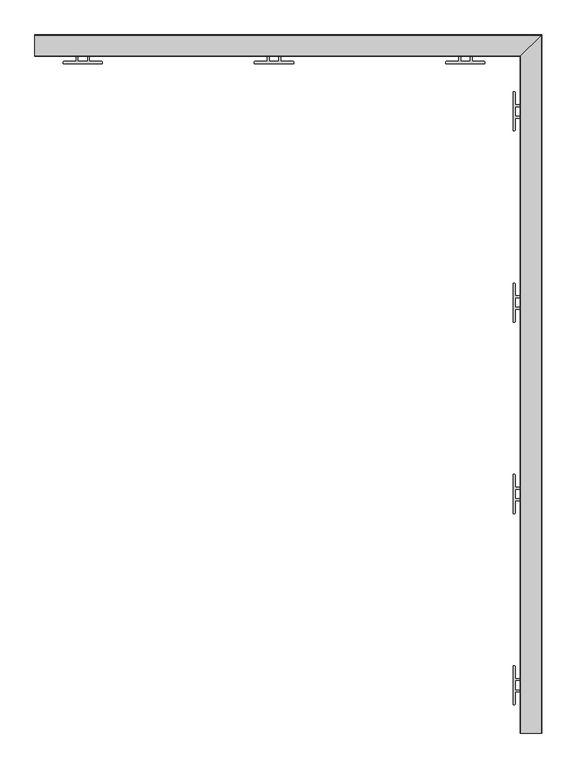
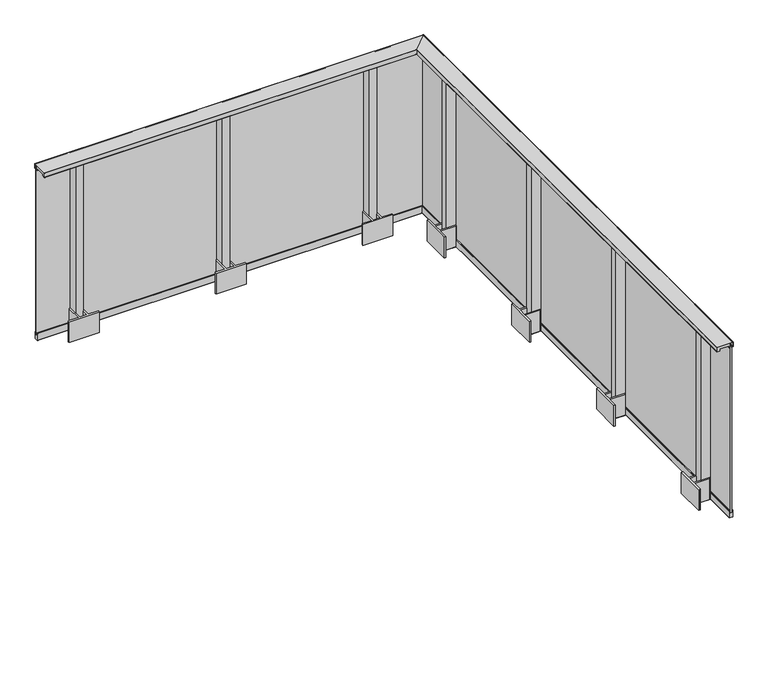
"""IFC4 building model written with IfcOpenShell, lengths in millimetres: railing geometry."""

from ifc_helpers import new_model, si_unit, frame, origin, place, context, project, spatial, polyline, circle_curve, ellipse_curve, outline, extrude, faceted_brep, source, transform, mapped, element, save
from ifc_brep_helpers import plane_surface, cylinder_surface, revolved_surface, advanced_brep


def railing_d14c0ea8(model_context):
    return source(origin(), model_context, "Body", "SolidModel", [
        advanced_brep(
        [(14428.9819967, 370.4991817, 1100.0), (14428.4819967, 370.4991817, 1099.5), (14428.4819967, 370.4991817, 1068.5), (14428.9819967, 370.4991817, 1068.0), (14448.4819967, 370.4991817, 1068.0), (14448.4819967, 370.4991817, 1081.0), (14514.4819967, 370.4991817, 1081.0), (14514.4819967, 370.4991817, 1068.0), (14517.2819967, 370.4991817, 1068.0), (14517.2819967, 370.4991817, 1069.2), (14516.4819967, 370.4991817, 1069.2), (14516.4819967, 370.4991817, 1097.5), (14516.9819967, 370.4991817, 1098.0), (14535.9819967, 370.4991817, 1098.0), (14536.4819967, 370.4991817, 1097.5), (14536.4819967, 370.4991817, 1069.2), (14535.6819967, 370.4991817, 1069.2), (14535.6819967, 370.4991817, 1068.0), (14539.9819967, 370.4991817, 1068.0), (14540.4819967, 370.4991817, 1068.5), (14540.4819967, 370.4991817, 1099.5), (14539.9819967, 370.4991817, 1100.0), (14428.9819967, 3908.4991817, 1100.0), (14428.4819967, 3907.9991817, 1099.5), (14428.4819967, 3907.9991817, 1068.5), (14428.9819967, 3908.4991817, 1068.0), (14448.4819967, 3927.9991817, 1068.0), (14448.4819967, 3927.9991817, 1081.0), (14514.4819967, 3993.9991817, 1081.0), (14514.4819967, 3993.9991817, 1068.0), (14517.2819967, 3996.7991817, 1068.0), (14517.2819967, 3996.7991817, 1069.2), (14516.4819967, 3995.9991817, 1069.2), (14516.4819967, 3995.9991817, 1097.5), (14516.9819967, 3996.4991817, 1098.0), (14535.9819967, 4015.4991817, 1098.0), (14536.4819967, 4015.9991817, 1097.5), (14536.4819967, 4015.9991817, 1069.2), (14535.6819967, 4015.1991817, 1069.2), (14535.6819967, 4015.1991817, 1068.0), (14539.9819967, 4019.4991817, 1068.0), (14540.4819967, 4019.9991817, 1068.5), (14540.4819967, 4019.9991817, 1099.5), (14539.9819967, 4019.4991817, 1100.0), (11890.9819967, 3908.4991817, 1100.0), (11890.9819967, 4019.4991817, 1100.0), (11890.9819967, 4019.9991817, 1099.5), (11890.9819967, 4019.9991817, 1068.5), (11890.9819967, 4019.4991817, 1068.0), (11890.9819967, 4015.1991817, 1068.0), (11890.9819967, 4015.1991817, 1069.2), (11890.9819967, 4015.9991817, 1069.2), (11890.9819967, 4015.9991817, 1097.5), (11890.9819967, 4015.4991817, 1098.0), (11890.9819967, 3996.4991817, 1098.0), (11890.9819967, 3995.9991817, 1097.5), (11890.9819967, 3995.9991817, 1069.2), (11890.9819967, 3996.7991817, 1069.2), (11890.9819967, 3996.7991817, 1068.0), (11890.9819967, 3993.9991817, 1068.0), (11890.9819967, 3993.9991817, 1081.0), (11890.9819967, 3927.9991817, 1081.0), (11890.9819967, 3927.9991817, 1068.0), (11890.9819967, 3908.4991817, 1068.0), (11890.9819967, 3907.9991817, 1068.5), (11890.9819967, 3907.9991817, 1099.5)],
        [
            (0, 1, circle_curve(frame((14428.9819967, 370.4991817, 1099.5), z_axis=(0.0, -1.0, 0.0), x_axis=(1.0, 0.0, 0.0)), 0.5)),
            (1, 2),
            (2, 3, circle_curve(frame((14428.9819967, 370.4991817, 1068.5), z_axis=(0.0, -1.0, 0.0), x_axis=(1.0, 0.0, 0.0)), 0.5)),
            (3, 4),
            (4, 5),
            (5, 6),
            (6, 7),
            (7, 8),
            (8, 9),
            (9, 10),
            (10, 11),
            (11, 12, circle_curve(frame((14516.9819967, 370.4991817, 1097.5), z_axis=(0.0, 1.0, 0.0), x_axis=(1.0, 0.0, 0.0)), 0.5)),
            (12, 13),
            (13, 14, circle_curve(frame((14535.9819967, 370.4991817, 1097.5), z_axis=(0.0, 1.0, 0.0), x_axis=(1.0, 0.0, 0.0)), 0.5)),
            (14, 15),
            (15, 16),
            (16, 17),
            (17, 18),
            (18, 19, circle_curve(frame((14539.9819967, 370.4991817, 1068.5), z_axis=(0.0, -1.0, 0.0), x_axis=(1.0, 0.0, 0.0)), 0.5)),
            (19, 20),
            (20, 21, circle_curve(frame((14539.9819967, 370.4991817, 1099.5), z_axis=(0.0, -1.0, 0.0), x_axis=(1.0, 0.0, 0.0)), 0.5)),
            (21, 0),
            (0, 22),
            (22, 23, ellipse_curve(frame((14428.9819967, 3908.4991817, 1099.5), z_axis=(0.7071067811865467, -0.7071067811865482, 0.0), x_axis=(-0.7071067811865482, -0.7071067811865469, 0.0)), 0.7071068, 0.5)),
            (23, 1),
            (23, 24),
            (24, 2),
            (24, 25, ellipse_curve(frame((14428.9819967, 3908.4991817, 1068.5), z_axis=(0.7071067811865467, -0.7071067811865482, 0.0), x_axis=(-0.7071067811865482, -0.7071067811865469, 0.0)), 0.7071068, 0.5)),
            (25, 3),
            (25, 26),
            (26, 4),
            (26, 27),
            (27, 5),
            (27, 28),
            (28, 6),
            (28, 29),
            (29, 7),
            (29, 30),
            (30, 8),
            (30, 31),
            (31, 9),
            (31, 32),
            (32, 10),
            (32, 33),
            (33, 11),
            (33, 34, ellipse_curve(frame((14516.9819967, 3996.4991817, 1097.5), z_axis=(-0.7071067811865467, 0.7071067811865482, 0.0), x_axis=(0.7071067811865482, 0.7071067811865469, 0.0)), 0.7071068, 0.5)),
            (34, 12),
            (34, 35),
            (35, 13),
            (35, 36, ellipse_curve(frame((14535.9819967, 4015.4991817, 1097.5), z_axis=(-0.7071067811865467, 0.7071067811865482, 0.0), x_axis=(0.7071067811865482, 0.7071067811865469, 0.0)), 0.7071068, 0.5)),
            (36, 14),
            (36, 37),
            (37, 15),
            (37, 38),
            (38, 16),
            (38, 39),
            (39, 17),
            (39, 40),
            (40, 18),
            (40, 41, ellipse_curve(frame((14539.9819967, 4019.4991817, 1068.5), z_axis=(0.7071067811865467, -0.7071067811865482, 0.0), x_axis=(-0.7071067811865482, -0.7071067811865469, 0.0)), 0.7071068, 0.5)),
            (41, 19),
            (41, 42),
            (42, 20),
            (42, 43, ellipse_curve(frame((14539.9819967, 4019.4991817, 1099.5), z_axis=(0.7071067811865467, -0.7071067811865482, 0.0), x_axis=(-0.7071067811865482, -0.7071067811865469, 0.0)), 0.7071068, 0.5)),
            (43, 21),
            (43, 22),
            (44, 45),
            (45, 46, circle_curve(frame((11890.9819967, 4019.4991817, 1099.5), z_axis=(-1.0, 0.0, 0.0), x_axis=(0.0, 1.0, 0.0)), 0.5)),
            (46, 47),
            (47, 48, circle_curve(frame((11890.9819967, 4019.4991817, 1068.5), z_axis=(-1.0, 0.0, 0.0), x_axis=(0.0, 1.0, 0.0)), 0.5)),
            (48, 49),
            (49, 50),
            (50, 51),
            (51, 52),
            (52, 53, circle_curve(frame((11890.9819967, 4015.4991817, 1097.5), z_axis=(1.0, 0.0, 0.0), x_axis=(0.0, 1.0, 0.0)), 0.5)),
            (53, 54),
            (54, 55, circle_curve(frame((11890.9819967, 3996.4991817, 1097.5), z_axis=(1.0, 0.0, 0.0), x_axis=(0.0, 1.0, 0.0)), 0.5)),
            (55, 56),
            (56, 57),
            (57, 58),
            (58, 59),
            (59, 60),
            (60, 61),
            (61, 62),
            (62, 63),
            (63, 64, circle_curve(frame((11890.9819967, 3908.4991817, 1068.5), z_axis=(-1.0, 0.0, 0.0), x_axis=(0.0, 1.0, 0.0)), 0.5)),
            (64, 65),
            (65, 44, circle_curve(frame((11890.9819967, 3908.4991817, 1099.5), z_axis=(-1.0, 0.0, 0.0), x_axis=(0.0, 1.0, 0.0)), 0.5)),
            (22, 44),
            (65, 23),
            (64, 24),
            (63, 25),
            (62, 26),
            (61, 27),
            (60, 28),
            (59, 29),
            (58, 30),
            (57, 31),
            (56, 32),
            (55, 33),
            (54, 34),
            (53, 35),
            (52, 36),
            (51, 37),
            (50, 38),
            (49, 39),
            (48, 40),
            (47, 41),
            (46, 42),
            (45, 43),
        ],
        [
            plane_surface(frame((14481.4819967, 370.4991817, 1100.0), z_axis=(0.0, -1.0, 0.0), x_axis=(0.0, 0.0, 1.0))),
            cylinder_surface(frame((14428.9819967, 370.4991817, 1099.5), z_axis=(0.0, -1.0, 0.0), x_axis=(1.0, 0.0, 0.0)), 0.5),
            plane_surface(frame((14428.4819967, 370.4991817, 1099.5), z_axis=(-1.0, 0.0, 0.0), x_axis=(0.0, 1.0, 0.0))),
            cylinder_surface(frame((14428.9819967, 370.4991817, 1068.5), z_axis=(0.0, -1.0, 0.0), x_axis=(1.0, 0.0, 0.0)), 0.5),
            plane_surface(frame((14428.9819967, 370.4991817, 1068.0), z_axis=(0.0, 0.0, -1.0), x_axis=(0.0, 1.0, 0.0))),
            plane_surface(frame((14448.4819967, 370.4991817, 1068.0), z_axis=(1.0, 0.0, 0.0), x_axis=(0.0, 1.0, 0.0))),
            plane_surface(frame((14448.4819967, 370.4991817, 1081.0), z_axis=(0.0, 0.0, -1.0), x_axis=(0.0, 1.0, 0.0))),
            plane_surface(frame((14514.4819967, 370.4991817, 1081.0), z_axis=(-1.0, 0.0, 0.0), x_axis=(0.0, 1.0, 0.0))),
            plane_surface(frame((14514.4819967, 370.4991817, 1068.0), z_axis=(0.0, 0.0, -1.0), x_axis=(0.0, 1.0, 0.0))),
            plane_surface(frame((14517.2819967, 370.4991817, 1068.0), z_axis=(1.0, 0.0, 0.0), x_axis=(0.0, 1.0, 0.0))),
            plane_surface(frame((14517.2819967, 370.4991817, 1069.2), z_axis=(0.0, 0.0, 1.0), x_axis=(0.0, 1.0, 0.0))),
            plane_surface(frame((14516.4819967, 370.4991817, 1069.2), z_axis=(1.0, 0.0, 0.0), x_axis=(0.0, 1.0, 0.0))),
            revolved_surface(polyline([(14517.4819967, 3996.999181713303, 1097.5), (14517.4819967, 370.4991817, 1097.5)]), (14516.9819967, 370.4991817, 1097.5), (0.0, 1.0, 0.0)),
            plane_surface(frame((14516.9819967, 370.4991817, 1098.0), z_axis=(0.0, 0.0, -1.0), x_axis=(0.0, 1.0, 0.0))),
            revolved_surface(polyline([(14536.4819967, 4015.999181713303, 1097.5), (14536.4819967, 370.4991817, 1097.5)]), (14535.9819967, 370.4991817, 1097.5), (0.0, 1.0, 0.0)),
            plane_surface(frame((14536.4819967, 370.4991817, 1097.5), z_axis=(-1.0, 0.0, 0.0), x_axis=(0.0, 1.0, 0.0))),
            plane_surface(frame((14536.4819967, 370.4991817, 1069.2), z_axis=(0.0, 0.0, 1.0), x_axis=(0.0, 1.0, 0.0))),
            plane_surface(frame((14535.6819967, 370.4991817, 1069.2), z_axis=(-1.0, 0.0, 0.0), x_axis=(0.0, 1.0, 0.0))),
            plane_surface(frame((14535.6819967, 370.4991817, 1068.0), z_axis=(0.0, 0.0, -1.0), x_axis=(0.0, 1.0, 0.0))),
            cylinder_surface(frame((14539.9819967, 370.4991817, 1068.5), z_axis=(0.0, -1.0, 0.0), x_axis=(1.0, 0.0, 0.0)), 0.5),
            plane_surface(frame((14540.4819967, 370.4991817, 1068.5), z_axis=(1.0, 0.0, 0.0), x_axis=(0.0, 1.0, 0.0))),
            cylinder_surface(frame((14539.9819967, 370.4991817, 1099.5), z_axis=(0.0, -1.0, 0.0), x_axis=(1.0, 0.0, 0.0)), 0.5),
            plane_surface(frame((14539.9819967, 370.4991817, 1100.0), z_axis=(0.0, 0.0, 1.0), x_axis=(0.0, 1.0, 0.0))),
            plane_surface(frame((11890.9819967, 3960.9991817, 1100.0), z_axis=(-1.0, 0.0, 0.0), x_axis=(0.0, -1.0, 0.0))),
            cylinder_surface(frame((14481.4819967, 3908.4991817, 1099.5), z_axis=(1.0, 0.0, 0.0), x_axis=(0.0, 1.0, 0.0)), 0.5),
            plane_surface(frame((14428.4819967, 3907.9991817, 1099.5), z_axis=(0.0, -1.0, 0.0), x_axis=(-1.0, 0.0, 0.0))),
            cylinder_surface(frame((14481.4819967, 3908.4991817, 1068.5), z_axis=(1.0, 0.0, 0.0), x_axis=(0.0, 1.0, 0.0)), 0.5),
            plane_surface(frame((14428.9819967, 3908.4991817, 1068.0), z_axis=(0.0, 0.0, -1.0), x_axis=(-1.0, 0.0, 0.0))),
            plane_surface(frame((14448.4819967, 3927.9991817, 1068.0), z_axis=(0.0, 1.0, 0.0), x_axis=(-1.0, 0.0, 0.0))),
            plane_surface(frame((14448.4819967, 3927.9991817, 1081.0), z_axis=(0.0, 0.0, -1.0), x_axis=(-1.0, 0.0, 0.0))),
            plane_surface(frame((14514.4819967, 3993.9991817, 1081.0), z_axis=(0.0, -1.0, 0.0), x_axis=(-1.0, 0.0, 0.0))),
            plane_surface(frame((14514.4819967, 3993.9991817, 1068.0), z_axis=(0.0, 0.0, -1.0), x_axis=(-1.0, 0.0, 0.0))),
            plane_surface(frame((14517.2819967, 3996.7991817, 1068.0), z_axis=(0.0, 1.0, 0.0), x_axis=(-1.0, 0.0, 0.0))),
            plane_surface(frame((14517.2819967, 3996.7991817, 1069.2), z_axis=(0.0, 0.0, 1.0), x_axis=(-1.0, 0.0, 0.0))),
            plane_surface(frame((14516.4819967, 3995.9991817, 1069.2), z_axis=(0.0, 1.0, 0.0), x_axis=(-1.0, 0.0, 0.0))),
            revolved_surface(polyline([(11890.9819967, 3996.9991817, 1097.5), (14517.481996713303, 3996.9991817, 1097.5)]), (14481.4819967, 3996.4991817, 1097.5), (-1.0, 0.0, 0.0)),
            plane_surface(frame((14516.9819967, 3996.4991817, 1098.0), z_axis=(0.0, 0.0, -1.0), x_axis=(-1.0, 0.0, 0.0))),
            revolved_surface(polyline([(11890.9819967, 4015.9991817, 1097.5), (14536.481996713303, 4015.9991817, 1097.5)]), (14481.4819967, 4015.4991817, 1097.5), (-1.0, 0.0, 0.0)),
            plane_surface(frame((14536.4819967, 4015.9991817, 1097.5), z_axis=(0.0, -1.0, 0.0), x_axis=(-1.0, 0.0, 0.0))),
            plane_surface(frame((14536.4819967, 4015.9991817, 1069.2), z_axis=(0.0, 0.0, 1.0), x_axis=(-1.0, 0.0, 0.0))),
            plane_surface(frame((14535.6819967, 4015.1991817, 1069.2), z_axis=(0.0, -1.0, 0.0), x_axis=(-1.0, 0.0, 0.0))),
            plane_surface(frame((14535.6819967, 4015.1991817, 1068.0), z_axis=(0.0, 0.0, -1.0), x_axis=(-1.0, 0.0, 0.0))),
            cylinder_surface(frame((14481.4819967, 4019.4991817, 1068.5), z_axis=(1.0, 0.0, 0.0), x_axis=(0.0, 1.0, 0.0)), 0.5),
            plane_surface(frame((14540.4819967, 4019.9991817, 1068.5), z_axis=(0.0, 1.0, 0.0), x_axis=(-1.0, 0.0, 0.0))),
            cylinder_surface(frame((14481.4819967, 4019.4991817, 1099.5), z_axis=(1.0, 0.0, 0.0), x_axis=(0.0, 1.0, 0.0)), 0.5),
            plane_surface(frame((14539.9819967, 4019.4991817, 1100.0), z_axis=(0.0, 0.0, 1.0), x_axis=(-1.0, 0.0, 0.0))),
        ],
        [
            (0, [[1, 2, 3, 4, 5, 6, 7, 8, 9, 10, 11, 12, 13, 14, 15, 16, 17, 18, 19, 20, 21, 22]]),
            (1, [[-1, 23, 24, 25]]),
            (2, [[-2, -25, 26, 27]]),
            (3, [[-3, -27, 28, 29]]),
            (4, [[-4, -29, 30, 31]]),
            (5, [[-5, -31, 32, 33]]),
            (6, [[-6, -33, 34, 35]]),
            (7, [[-7, -35, 36, 37]]),
            (8, [[-8, -37, 38, 39]]),
            (9, [[-9, -39, 40, 41]]),
            (10, [[-10, -41, 42, 43]]),
            (11, [[-11, -43, 44, 45]]),
            (12, [[-12, -45, 46, 47]]),
            (13, [[-13, -47, 48, 49]]),
            (14, [[-14, -49, 50, 51]]),
            (15, [[-15, -51, 52, 53]]),
            (16, [[-16, -53, 54, 55]]),
            (17, [[-17, -55, 56, 57]]),
            (18, [[-18, -57, 58, 59]]),
            (19, [[-19, -59, 60, 61]]),
            (20, [[-20, -61, 62, 63]]),
            (21, [[-21, -63, 64, 65]]),
            (22, [[-22, -65, 66, -23]]),
            (23, [[67, 68, 69, 70, 71, 72, 73, 74, 75, 76, 77, 78, 79, 80, 81, 82, 83, 84, 85, 86, 87, 88]]),
            (24, [[-24, 89, -88, 90]]),
            (25, [[-26, -90, -87, 91]]),
            (26, [[-28, -91, -86, 92]]),
            (27, [[-30, -92, -85, 93]]),
            (28, [[-32, -93, -84, 94]]),
            (29, [[-34, -94, -83, 95]]),
            (30, [[-36, -95, -82, 96]]),
            (31, [[-38, -96, -81, 97]]),
            (32, [[-40, -97, -80, 98]]),
            (33, [[-42, -98, -79, 99]]),
            (34, [[-44, -99, -78, 100]]),
            (35, [[-46, -100, -77, 101]]),
            (36, [[-48, -101, -76, 102]]),
            (37, [[-50, -102, -75, 103]]),
            (38, [[-52, -103, -74, 104]]),
            (39, [[-54, -104, -73, 105]]),
            (40, [[-56, -105, -72, 106]]),
            (41, [[-58, -106, -71, 107]]),
            (42, [[-60, -107, -70, 108]]),
            (43, [[-62, -108, -69, 109]]),
            (44, [[-64, -109, -68, 110]]),
            (45, [[-66, -110, -67, -89]]),
        ],
    ),
        faceted_brep([(14529.9819967, 370.4991817, 1075.0), (14521.9819967, 370.4991817, 1075.0), (14521.9819967, 370.4991817, -125.0), (14529.9819967, 370.4991817, -125.0), (14529.9819967, 4009.4991817, 1075.0), (14521.9819967, 4001.4991817, 1075.0), (14521.9819967, 4001.4991817, -125.0), (14529.9819967, 4009.4991817, -125.0), (11890.9819967, 4009.4991817, 1075.0), (11890.9819967, 4009.4991817, -125.0), (11890.9819967, 4001.4991817, -125.0), (11890.9819967, 4001.4991817, 1075.0)], [[[0, 1, 2, 3]], [[1, 0, 4, 5]], [[2, 1, 5, 6]], [[3, 2, 6, 7]], [[0, 3, 7, 4]], [[8, 9, 10, 11]], [[5, 4, 8, 11]], [[6, 5, 11, 10]], [[7, 6, 10, 9]], [[4, 7, 9, 8]]]),
        faceted_brep([(14516.6692541, 370.4991817, 1067.2160621), (14515.6441664, 370.4991817, 1067.2160621), (14515.6441664, 370.4991817, 1065.6627783), (14521.9819967, 370.4991817, 1063.8454347), (14521.9819967, 370.4991817, 1074.0), (14516.6692541, 370.4991817, 1076.1464874), (14516.6692541, 3996.186439, 1067.2160621), (14515.6441664, 3995.1613513, 1067.2160621), (14515.6441664, 3995.1613513, 1065.6627783), (14521.9819967, 4001.4991817, 1063.8454347), (14521.9819967, 4001.4991817, 1074.0), (14516.6692541, 3996.186439, 1076.1464874), (11890.9819967, 3996.186439, 1067.2160621), (11890.9819967, 3996.186439, 1076.1464874), (11890.9819967, 4001.4991817, 1074.0), (11890.9819967, 4001.4991817, 1063.8454347), (11890.9819967, 3995.1613513, 1065.6627783), (11890.9819967, 3995.1613513, 1067.2160621)], [[[0, 1, 2, 3, 4, 5]], [[1, 0, 6, 7]], [[2, 1, 7, 8]], [[3, 2, 8, 9]], [[4, 3, 9, 10]], [[5, 4, 10, 11]], [[0, 5, 11, 6]], [[12, 13, 14, 15, 16, 17]], [[7, 6, 12, 17]], [[8, 7, 17, 16]], [[9, 8, 16, 15]], [[10, 9, 15, 14]], [[11, 10, 14, 13]], [[6, 11, 13, 12]]]),
        faceted_brep([(14535.2947394, 370.4991817, 1067.2160621), (14535.2947394, 370.4991817, 1076.1464874), (14529.9819967, 370.4991817, 1074.0), (14529.9819967, 370.4991817, 1063.8454347), (14536.3198271, 370.4991817, 1065.6627783), (14536.3198271, 370.4991817, 1067.2160621), (14535.2947394, 4014.8119243, 1067.2160621), (14535.2947394, 4014.8119243, 1076.1464874), (14529.9819967, 4009.4991817, 1074.0), (14529.9819967, 4009.4991817, 1063.8454347), (14536.3198271, 4015.837012, 1065.6627783), (14536.3198271, 4015.837012, 1067.2160621), (11890.9819967, 4014.8119243, 1067.2160621), (11890.9819967, 4015.837012, 1067.2160621), (11890.9819967, 4015.837012, 1065.6627783), (11890.9819967, 4009.4991817, 1063.8454347), (11890.9819967, 4009.4991817, 1074.0), (11890.9819967, 4014.8119243, 1076.1464874)], [[[0, 1, 2, 3, 4, 5]], [[1, 0, 6, 7]], [[2, 1, 7, 8]], [[3, 2, 8, 9]], [[4, 3, 9, 10]], [[5, 4, 10, 11]], [[0, 5, 11, 6]], [[12, 13, 14, 15, 16, 17]], [[7, 6, 12, 17]], [[8, 7, 17, 16]], [[9, 8, 16, 15]], [[10, 9, 15, 14]], [[11, 10, 14, 13]], [[6, 11, 13, 12]]]),
        advanced_brep(
        [(14537.4819967, 370.4991817, -160.0), (14537.9819967, 370.4991817, -159.5), (14537.9819967, 370.4991817, -110.5), (14537.4819967, 370.4991817, -110.0), (14514.4819967, 370.4991817, -110.0), (14513.9819967, 370.4991817, -110.5), (14513.9819967, 370.4991817, -159.5), (14514.4819967, 370.4991817, -160.0), (14537.4819967, 4016.9991817, -160.0), (14537.9819967, 4017.4991817, -159.5), (14537.9819967, 4017.4991817, -110.5), (14537.4819967, 4016.9991817, -110.0), (14514.4819967, 3993.9991817, -110.0), (14513.9819967, 3993.4991817, -110.5), (14513.9819967, 3993.4991817, -159.5), (14514.4819967, 3993.9991817, -160.0), (11890.9819967, 4016.9991817, -160.0), (11890.9819967, 3993.9991817, -160.0), (11890.9819967, 3993.4991817, -159.5), (11890.9819967, 3993.4991817, -110.5), (11890.9819967, 3993.9991817, -110.0), (11890.9819967, 4016.9991817, -110.0), (11890.9819967, 4017.4991817, -110.5), (11890.9819967, 4017.4991817, -159.5)],
        [
            (0, 1, circle_curve(frame((14537.4819967, 370.4991817, -159.5), z_axis=(0.0, -1.0, 0.0), x_axis=(1.0, 0.0, 0.0)), 0.5)),
            (1, 2),
            (2, 3, circle_curve(frame((14537.4819967, 370.4991817, -110.5), z_axis=(0.0, -1.0, 0.0), x_axis=(1.0, 0.0, 0.0)), 0.5)),
            (3, 4),
            (4, 5, circle_curve(frame((14514.4819967, 370.4991817, -110.5), z_axis=(0.0, -1.0, 0.0), x_axis=(1.0, 0.0, 0.0)), 0.5)),
            (5, 6),
            (6, 7, circle_curve(frame((14514.4819967, 370.4991817, -159.5), z_axis=(0.0, -1.0, 0.0), x_axis=(1.0, 0.0, 0.0)), 0.5)),
            (7, 0),
            (0, 8),
            (8, 9, ellipse_curve(frame((14537.4819967, 4016.9991817, -159.5), z_axis=(0.7071067811865467, -0.7071067811865482, 0.0), x_axis=(-0.7071067811865482, -0.7071067811865469, 0.0)), 0.7071068, 0.5)),
            (9, 1),
            (9, 10),
            (10, 2),
            (10, 11, ellipse_curve(frame((14537.4819967, 4016.9991817, -110.5), z_axis=(0.7071067811865467, -0.7071067811865482, 0.0), x_axis=(-0.7071067811865482, -0.7071067811865469, 0.0)), 0.7071068, 0.5)),
            (11, 3),
            (11, 12),
            (12, 4),
            (12, 13, ellipse_curve(frame((14514.4819967, 3993.9991817, -110.5), z_axis=(0.7071067811865467, -0.7071067811865482, 0.0), x_axis=(-0.7071067811865482, -0.7071067811865469, 0.0)), 0.7071068, 0.5)),
            (13, 5),
            (13, 14),
            (14, 6),
            (14, 15, ellipse_curve(frame((14514.4819967, 3993.9991817, -159.5), z_axis=(0.7071067811865467, -0.7071067811865482, 0.0), x_axis=(-0.7071067811865482, -0.7071067811865469, 0.0)), 0.7071068, 0.5)),
            (15, 7),
            (15, 8),
            (16, 17),
            (17, 18, circle_curve(frame((11890.9819967, 3993.9991817, -159.5), z_axis=(-1.0, 0.0, 0.0), x_axis=(0.0, 1.0, 0.0)), 0.5)),
            (18, 19),
            (19, 20, circle_curve(frame((11890.9819967, 3993.9991817, -110.5), z_axis=(-1.0, 0.0, 0.0), x_axis=(0.0, 1.0, 0.0)), 0.5)),
            (20, 21),
            (21, 22, circle_curve(frame((11890.9819967, 4016.9991817, -110.5), z_axis=(-1.0, 0.0, 0.0), x_axis=(0.0, 1.0, 0.0)), 0.5)),
            (22, 23),
            (23, 16, circle_curve(frame((11890.9819967, 4016.9991817, -159.5), z_axis=(-1.0, 0.0, 0.0), x_axis=(0.0, 1.0, 0.0)), 0.5)),
            (8, 16),
            (23, 9),
            (22, 10),
            (21, 11),
            (20, 12),
            (19, 13),
            (18, 14),
            (17, 15),
        ],
        [
            plane_surface(frame((14525.9819967, 370.4991817, -160.0), z_axis=(0.0, -1.0, 0.0), x_axis=(0.0, 0.0, 1.0))),
            cylinder_surface(frame((14537.4819967, 370.4991817, -159.5), z_axis=(0.0, -1.0, 0.0), x_axis=(1.0, 0.0, 0.0)), 0.5),
            plane_surface(frame((14537.9819967, 370.4991817, -159.5), z_axis=(1.0, 0.0, 0.0), x_axis=(0.0, 1.0, 0.0))),
            cylinder_surface(frame((14537.4819967, 370.4991817, -110.5), z_axis=(0.0, -1.0, 0.0), x_axis=(1.0, 0.0, 0.0)), 0.5),
            plane_surface(frame((14537.4819967, 370.4991817, -110.0), z_axis=(0.0, 0.0, 1.0), x_axis=(0.0, 1.0, 0.0))),
            cylinder_surface(frame((14514.4819967, 370.4991817, -110.5), z_axis=(0.0, -1.0, 0.0), x_axis=(1.0, 0.0, 0.0)), 0.5),
            plane_surface(frame((14513.9819967, 370.4991817, -110.5), z_axis=(-1.0, 0.0, 0.0), x_axis=(0.0, 1.0, 0.0))),
            cylinder_surface(frame((14514.4819967, 370.4991817, -159.5), z_axis=(0.0, -1.0, 0.0), x_axis=(1.0, 0.0, 0.0)), 0.5),
            plane_surface(frame((14514.4819967, 370.4991817, -160.0), z_axis=(0.0, 0.0, -1.0), x_axis=(0.0, 1.0, 0.0))),
            plane_surface(frame((11890.9819967, 4005.4991817, -160.0), z_axis=(-1.0, 0.0, 0.0), x_axis=(0.0, -1.0, 0.0))),
            cylinder_surface(frame((14525.9819967, 4016.9991817, -159.5), z_axis=(1.0, 0.0, 0.0), x_axis=(0.0, 1.0, 0.0)), 0.5),
            plane_surface(frame((14537.9819967, 4017.4991817, -159.5), z_axis=(0.0, 1.0, 0.0), x_axis=(-1.0, 0.0, 0.0))),
            cylinder_surface(frame((14525.9819967, 4016.9991817, -110.5), z_axis=(1.0, 0.0, 0.0), x_axis=(0.0, 1.0, 0.0)), 0.5),
            plane_surface(frame((14537.4819967, 4016.9991817, -110.0), z_axis=(0.0, 0.0, 1.0), x_axis=(-1.0, 0.0, 0.0))),
            cylinder_surface(frame((14525.9819967, 3993.9991817, -110.5), z_axis=(1.0, 0.0, 0.0), x_axis=(0.0, 1.0, 0.0)), 0.5),
            plane_surface(frame((14513.9819967, 3993.4991817, -110.5), z_axis=(0.0, -1.0, 0.0), x_axis=(-1.0, 0.0, 0.0))),
            cylinder_surface(frame((14525.9819967, 3993.9991817, -159.5), z_axis=(1.0, 0.0, 0.0), x_axis=(0.0, 1.0, 0.0)), 0.5),
            plane_surface(frame((14514.4819967, 3993.9991817, -160.0), z_axis=(0.0, 0.0, -1.0), x_axis=(-1.0, 0.0, 0.0))),
        ],
        [
            (0, [[1, 2, 3, 4, 5, 6, 7, 8]]),
            (1, [[-1, 9, 10, 11]]),
            (2, [[-2, -11, 12, 13]]),
            (3, [[-3, -13, 14, 15]]),
            (4, [[-4, -15, 16, 17]]),
            (5, [[-5, -17, 18, 19]]),
            (6, [[-6, -19, 20, 21]]),
            (7, [[-7, -21, 22, 23]]),
            (8, [[-8, -23, 24, -9]]),
            (9, [[25, 26, 27, 28, 29, 30, 31, 32]]),
            (10, [[-10, 33, -32, 34]]),
            (11, [[-12, -34, -31, 35]]),
            (12, [[-14, -35, -30, 36]]),
            (13, [[-16, -36, -29, 37]]),
            (14, [[-18, -37, -28, 38]]),
            (15, [[-20, -38, -27, 39]]),
            (16, [[-22, -39, -26, 40]]),
            (17, [[-24, -40, -25, -33]]),
        ],
    ),
        extrude(outline(polyline([(12115.9819967, 3928.4991817), (12115.9819967, 3993.4991817), (12165.9819967, 3993.4991817), (12165.9819967, 3928.4991817), (12115.9819967, 3928.4991817)])), frame((0.0, 0.0, -162.0), z_axis=(0.0, 0.0, 1.0), x_axis=(1.0, 0.0, 0.0)), (0.0, 0.0, 1.0), 1253.0),
        extrude(outline(polyline([(12038.4819967, 3870.4991817), (12038.4819967, 3879.6707545), (12041.3104239, 3882.4991817), (12105.9612097, 3882.4991817), (12105.9612097, 3985.4362256), (12109.4872118, 3990.4718784), (12115.9612097, 3990.4718784), (12115.9612097, 3882.4991817), (12166.0027837, 3882.4991817), (12166.0027837, 3990.4718784), (12172.4767816, 3990.4718784), (12176.0027837, 3985.4362256), (12176.0027837, 3882.4991817), (12240.6535696, 3882.4991817), (12243.4819967, 3879.6707545), (12243.4819967, 3870.4991817), (12038.4819967, 3870.4991817)])), frame((0.0, 0.0, -152.0), z_axis=(0.0, 0.0, 1.0), x_axis=(1.0, 0.0, 0.0)), (0.0, 0.0, 1.0), 150.0),
        extrude(outline(polyline([(13115.9819967, 3928.4991817), (13115.9819967, 3993.4991817), (13165.9819967, 3993.4991817), (13165.9819967, 3928.4991817), (13115.9819967, 3928.4991817)])), frame((0.0, 0.0, -162.0), z_axis=(0.0, 0.0, 1.0), x_axis=(1.0, 0.0, 0.0)), (0.0, 0.0, 1.0), 1253.0),
        extrude(outline(polyline([(13038.4819967, 3870.4991817), (13038.4819967, 3879.6707545), (13041.3104239, 3882.4991817), (13105.9612097, 3882.4991817), (13105.9612097, 3985.4362256), (13109.4872118, 3990.4718784), (13115.9612097, 3990.4718784), (13115.9612097, 3882.4991817), (13166.0027837, 3882.4991817), (13166.0027837, 3990.4718784), (13172.4767816, 3990.4718784), (13176.0027837, 3985.4362256), (13176.0027837, 3882.4991817), (13240.6535696, 3882.4991817), (13243.4819967, 3879.6707545), (13243.4819967, 3870.4991817), (13038.4819967, 3870.4991817)])), frame((0.0, 0.0, -152.0), z_axis=(0.0, 0.0, 1.0), x_axis=(1.0, 0.0, 0.0)), (0.0, 0.0, 1.0), 150.0),
        extrude(outline(polyline([(14115.9819967, 3928.4991817), (14115.9819967, 3993.4991817), (14165.9819967, 3993.4991817), (14165.9819967, 3928.4991817), (14115.9819967, 3928.4991817)])), frame((0.0, 0.0, -162.0), z_axis=(0.0, 0.0, 1.0), x_axis=(1.0, 0.0, 0.0)), (0.0, 0.0, 1.0), 1253.0),
        extrude(outline(polyline([(14038.4819967, 3870.4991817), (14038.4819967, 3879.6707545), (14041.3104239, 3882.4991817), (14105.9612097, 3882.4991817), (14105.9612097, 3985.4362256), (14109.4872118, 3990.4718784), (14115.9612097, 3990.4718784), (14115.9612097, 3882.4991817), (14166.0027837, 3882.4991817), (14166.0027837, 3990.4718784), (14172.4767816, 3990.4718784), (14176.0027837, 3985.4362256), (14176.0027837, 3882.4991817), (14240.6535696, 3882.4991817), (14243.4819967, 3879.6707545), (14243.4819967, 3870.4991817), (14038.4819967, 3870.4991817)])), frame((0.0, 0.0, -152.0), z_axis=(0.0, 0.0, 1.0), x_axis=(1.0, 0.0, 0.0)), (0.0, 0.0, 1.0), 150.0),
        extrude(outline(polyline([(14448.9819967, 3645.4991817), (14513.9819967, 3645.4991817), (14513.9819967, 3595.4991817), (14448.9819967, 3595.4991817), (14448.9819967, 3645.4991817)])), frame((0.0, 0.0, -162.0), z_axis=(0.0, 0.0, 1.0), x_axis=(1.0, 0.0, 0.0)), (0.0, 0.0, 1.0), 1253.0),
        extrude(outline(polyline([(14390.9819967, 3722.9991817), (14400.1535696, 3722.9991817), (14402.9819967, 3720.1707545), (14402.9819967, 3655.5199687), (14505.9190406, 3655.5199687), (14510.9546935, 3651.9939666), (14510.9546935, 3645.5199687), (14402.9819967, 3645.5199687), (14402.9819967, 3595.4783947), (14510.9546935, 3595.4783947), (14510.9546935, 3589.0043968), (14505.9190406, 3585.4783947), (14402.9819967, 3585.4783947), (14402.9819967, 3520.8276088), (14400.1535696, 3517.9991817), (14390.9819967, 3517.9991817), (14390.9819967, 3722.9991817)])), frame((0.0, 0.0, -152.0), z_axis=(0.0, 0.0, 1.0), x_axis=(1.0, 0.0, 0.0)), (0.0, 0.0, 1.0), 150.0),
        extrude(outline(polyline([(14448.9819967, 2645.4991817), (14513.9819967, 2645.4991817), (14513.9819967, 2595.4991817), (14448.9819967, 2595.4991817), (14448.9819967, 2645.4991817)])), frame((0.0, 0.0, -162.0), z_axis=(0.0, 0.0, 1.0), x_axis=(1.0, 0.0, 0.0)), (0.0, 0.0, 1.0), 1253.0),
        extrude(outline(polyline([(14390.9819967, 2722.9991817), (14400.1535696, 2722.9991817), (14402.9819967, 2720.1707545), (14402.9819967, 2655.5199687), (14505.9190406, 2655.5199687), (14510.9546935, 2651.9939666), (14510.9546935, 2645.5199687), (14402.9819967, 2645.5199687), (14402.9819967, 2595.4783947), (14510.9546935, 2595.4783947), (14510.9546935, 2589.0043968), (14505.9190406, 2585.4783947), (14402.9819967, 2585.4783947), (14402.9819967, 2520.8276088), (14400.1535696, 2517.9991817), (14390.9819967, 2517.9991817), (14390.9819967, 2722.9991817)])), frame((0.0, 0.0, -152.0), z_axis=(0.0, 0.0, 1.0), x_axis=(1.0, 0.0, 0.0)), (0.0, 0.0, 1.0), 150.0),
        extrude(outline(polyline([(14448.9819967, 1645.4991817), (14513.9819967, 1645.4991817), (14513.9819967, 1595.4991817), (14448.9819967, 1595.4991817), (14448.9819967, 1645.4991817)])), frame((0.0, 0.0, -162.0), z_axis=(0.0, 0.0, 1.0), x_axis=(1.0, 0.0, 0.0)), (0.0, 0.0, 1.0), 1253.0),
        extrude(outline(polyline([(14390.9819967, 1722.9991817), (14400.1535696, 1722.9991817), (14402.9819967, 1720.1707545), (14402.9819967, 1655.5199687), (14505.9190406, 1655.5199687), (14510.9546935, 1651.9939666), (14510.9546935, 1645.5199687), (14402.9819967, 1645.5199687), (14402.9819967, 1595.4783947), (14510.9546935, 1595.4783947), (14510.9546935, 1589.0043968), (14505.9190406, 1585.4783947), (14402.9819967, 1585.4783947), (14402.9819967, 1520.8276088), (14400.1535696, 1517.9991817), (14390.9819967, 1517.9991817), (14390.9819967, 1722.9991817)])), frame((0.0, 0.0, -152.0), z_axis=(0.0, 0.0, 1.0), x_axis=(1.0, 0.0, 0.0)), (0.0, 0.0, 1.0), 150.0),
        extrude(outline(polyline([(14448.9819967, 645.4991817), (14513.9819967, 645.4991817), (14513.9819967, 595.4991817), (14448.9819967, 595.4991817), (14448.9819967, 645.4991817)])), frame((0.0, 0.0, -162.0), z_axis=(0.0, 0.0, 1.0), x_axis=(1.0, 0.0, 0.0)), (0.0, 0.0, 1.0), 1253.0),
        extrude(outline(polyline([(14390.9819967, 722.9991817), (14400.1535696, 722.9991817), (14402.9819967, 720.1707545), (14402.9819967, 655.5199687), (14505.9190406, 655.5199687), (14510.9546935, 651.9939666), (14510.9546935, 645.5199687), (14402.9819967, 645.5199687), (14402.9819967, 595.4783947), (14510.9546935, 595.4783947), (14510.9546935, 589.0043968), (14505.9190406, 585.4783947), (14402.9819967, 585.4783947), (14402.9819967, 520.8276088), (14400.1535696, 517.9991817), (14390.9819967, 517.9991817), (14390.9819967, 722.9991817)])), frame((0.0, 0.0, -152.0), z_axis=(0.0, 0.0, 1.0), x_axis=(1.0, 0.0, 0.0)), (0.0, 0.0, 1.0), 150.0),
        extrude(outline(polyline([(12115.9819967, 3928.4991817), (12115.9819967, 3993.4991817), (12165.9819967, 3993.4991817), (12165.9819967, 3928.4991817), (12115.9819967, 3928.4991817)])), frame((0.0, 0.0, -162.0), z_axis=(0.0, 0.0, 1.0), x_axis=(1.0, 0.0, 0.0)), (0.0, 0.0, 1.0), 1253.0),
        extrude(outline(polyline([(12038.4819967, 3870.4991817), (12038.4819967, 3879.6707545), (12041.3104239, 3882.4991817), (12105.9612097, 3882.4991817), (12105.9612097, 3985.4362256), (12109.4872118, 3990.4718784), (12115.9612097, 3990.4718784), (12115.9612097, 3882.4991817), (12166.0027837, 3882.4991817), (12166.0027837, 3990.4718784), (12172.4767816, 3990.4718784), (12176.0027837, 3985.4362256), (12176.0027837, 3882.4991817), (12240.6535696, 3882.4991817), (12243.4819967, 3879.6707545), (12243.4819967, 3870.4991817), (12038.4819967, 3870.4991817)])), frame((0.0, 0.0, -152.0), z_axis=(0.0, 0.0, 1.0), x_axis=(1.0, 0.0, 0.0)), (0.0, 0.0, 1.0), 150.0),
        extrude(outline(polyline([(14448.9819967, 645.4991817), (14513.9819967, 645.4991817), (14513.9819967, 595.4991817), (14448.9819967, 595.4991817), (14448.9819967, 645.4991817)])), frame((0.0, 0.0, -162.0), z_axis=(0.0, 0.0, 1.0), x_axis=(1.0, 0.0, 0.0)), (0.0, 0.0, 1.0), 1253.0),
        extrude(outline(polyline([(14390.9819967, 722.9991817), (14400.1535696, 722.9991817), (14402.9819967, 720.1707545), (14402.9819967, 655.5199687), (14505.9190406, 655.5199687), (14510.9546935, 651.9939666), (14510.9546935, 645.5199687), (14402.9819967, 645.5199687), (14402.9819967, 595.4783947), (14510.9546935, 595.4783947), (14510.9546935, 589.0043968), (14505.9190406, 585.4783947), (14402.9819967, 585.4783947), (14402.9819967, 520.8276088), (14400.1535696, 517.9991817), (14390.9819967, 517.9991817), (14390.9819967, 722.9991817)])), frame((0.0, 0.0, -152.0), z_axis=(0.0, 0.0, 1.0), x_axis=(1.0, 0.0, 0.0)), (0.0, 0.0, 1.0), 150.0),
    ])


if __name__ == "__main__":
    model = new_model("IFC4")
    model_context = context("Model", 3, world=origin())
    ifc_project = project(units=[si_unit("LENGTHUNIT", "METRE", prefix="MILLI")], contexts=[model_context])
    site = spatial("IfcSite", under=ifc_project)
    building = spatial("IfcBuilding", under=site)
    placement = place(None, origin())
    railing_shape = railing_d14c0ea8(model_context)
    element("IfcRailing", 1, at=placement, inside=building, context=model_context, shape_type="MappedRepresentation", body=[
        mapped(railing_shape, transform((0.0, 0.0, 0.0), x_axis=(1.0, 0.0, 0.0), y_axis=(0.0, 1.0, 0.0), z_axis=(0.0, 0.0, 1.0))),
    ])
    save(model, "model.ifc")
